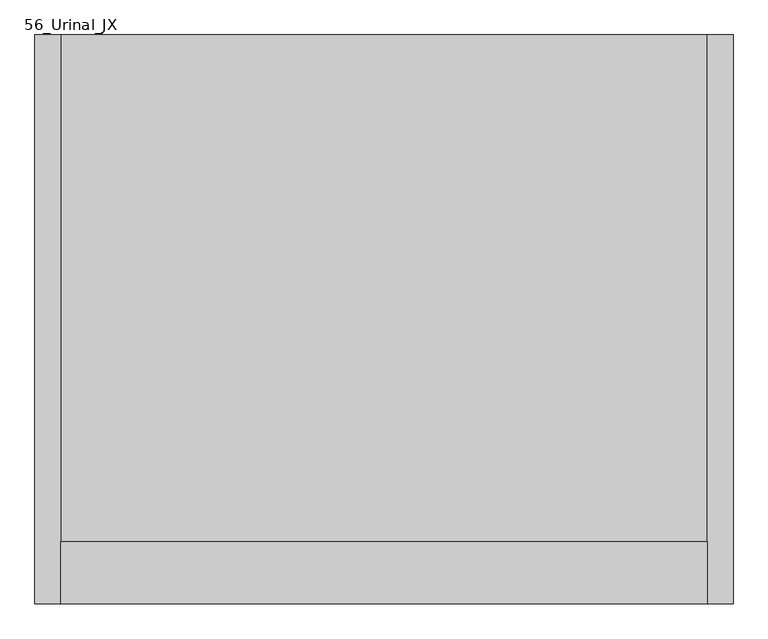
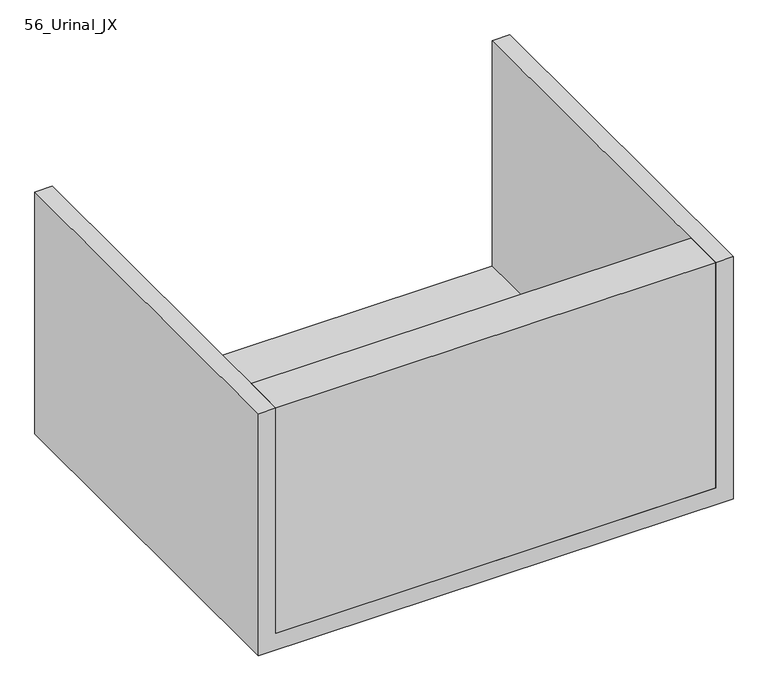
"""IFC4 building model written with IfcOpenShell, lengths in millimetres: proxy geometry, 56_Urinal_JX."""

from ifc_helpers import new_model, si_unit, frame, origin, place, context, project, spatial, polyline, outline, extrude, source, transform, mapped, element, save


def proxy_56_urinal_jx_b1dd1acc(model_context):
    return source(origin(), model_context, "Body", "SweptSolid", [
        extrude(outline(polyline([(-1600.0, 728.0), (-1479.7333333, 728.0), (-1540.0, 50.0), (-1600.0, 50.0), (-1600.0, 728.0)])), frame((-575.0, 0.0, 0.0), z_axis=(1.0, 0.0, 0.0), x_axis=(0.0, 1.0, 0.0)), (0.0, 0.0, 1.0), 1250.0),
        extrude(outline(polyline([(0.0, 725.0), (728.0, 725.0), (728.0, 675.0), (50.0, 675.0), (50.0, -575.0), (728.0, -575.0), (728.0, -625.0), (0.0, -625.0), (0.0, 725.0)])), frame((0.0, -1600.0, 0.0), z_axis=(0.0, 1.0, 0.0), x_axis=(0.0, 0.0, 1.0)), (0.0, 0.0, 1.0), 1100.0),
    ])


if __name__ == "__main__":
    model = new_model("IFC4")
    model_context = context("Model", 3, world=origin())
    ifc_project = project(units=[si_unit("LENGTHUNIT", "METRE", prefix="MILLI")], contexts=[model_context])
    site = spatial("IfcSite", under=ifc_project)
    building = spatial("IfcBuilding", under=site)
    placement = place(None, origin())
    proxy_56_urinal_jx_shape = proxy_56_urinal_jx_b1dd1acc(model_context)
    element("IfcBuildingElementProxy", 1, Name="56_Urinal_JX", ObjectType="56_Urinal_JX", at=placement, inside=building, context=model_context, shape_type="MappedRepresentation", body=[
        mapped(proxy_56_urinal_jx_shape, transform((0.0, 0.0, 0.0), x_axis=(1.0, 0.0, 0.0), y_axis=(0.0, 1.0, 0.0), z_axis=(0.0, 0.0, 1.0))),
    ])
    save(model, "model.ifc")
